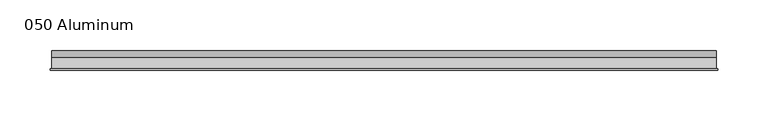
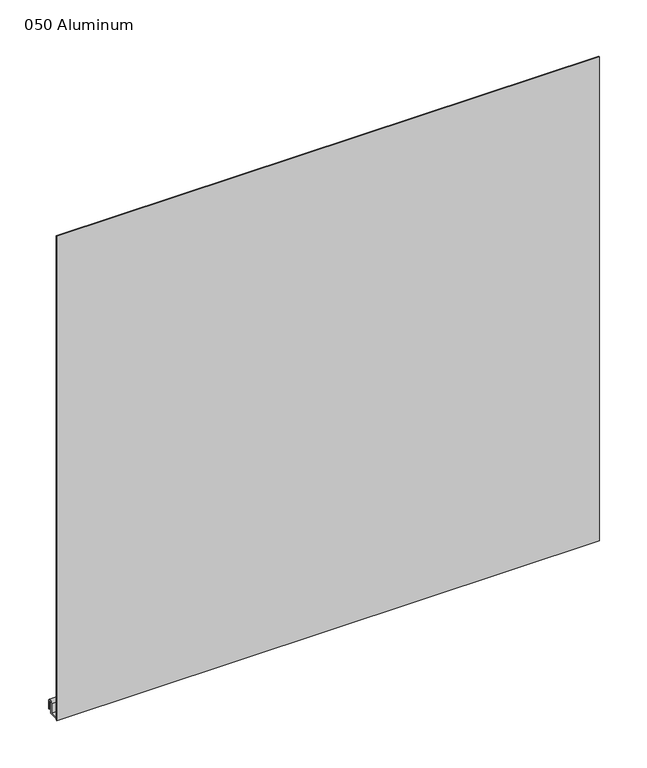
"""IFC4 building model written with IfcOpenShell, lengths in millimetres: plate geometry, 050 Aluminum."""

import ifcopenshell
import ifcopenshell.guid

model = None  # the IFC model being written
_history = None  # IfcOwnerHistory: only IFC2X3 demands one
_inside = {}  # id of a spatial element -> (the spatial element, [elements in it])
_under = {}  # id of a project, library or spatial element -> (it, [spatial elements below it])
_declared = {}  # id of a project -> (the project, [libraries it declares])
_typed = {}  # id of a type object -> (the type object, [elements of that type])
_made_of = {}  # id of a material, layer set ... -> (it, [elements and type objects made of it])


def new_model(schema):
    """Start an empty IFC model of exactly this schema.

    Asked for "IFC4X3", IfcOpenShell would pick the latest addendum, in which some entities
    have other attributes; the version numbers below select the first issue.
    IFC2X3 requires an IfcOwnerHistory on every rooted entity: one is made here for all.
    """
    global model, _history
    if schema == "IFC4X3":
        model = ifcopenshell.file(schema_version=(4, 3, 0, 0))
    else:
        model = ifcopenshell.file(schema=schema)
    _inside.clear()
    _under.clear()
    _declared.clear()
    _typed.clear()
    _made_of.clear()
    _history = None
    if model.schema == "IFC2X3":
        org = make("IfcOrganization", Name="unknown")
        user = make(
            "IfcPersonAndOrganization",
            ThePerson=make("IfcPerson", FamilyName="unknown"),
            TheOrganization=org,
        )
        app = make(
            "IfcApplication",
            ApplicationDeveloper=org,
            Version="unknown",
            ApplicationFullName="unknown",
            ApplicationIdentifier="unknown",
        )
        _history = make(
            "IfcOwnerHistory",
            OwningUser=user,
            OwningApplication=app,
            ChangeAction="ADDED",
            CreationDate=0,
        )
    return model


def make(cls, **values):
    """One entity of the class cls with the attributes given. An attribute that is None is left unset."""
    return model.create_entity(
        cls, **{name: value for name, value in values.items() if value is not None}
    )


def rooted(cls, **values):
    """An entity with a GlobalId (a new one), such as an element, a storey or a relation."""
    return make(cls, GlobalId=ifcopenshell.guid.new(), OwnerHistory=_history, **values)


def si_unit(unit_type, name, prefix=None):
    """IfcSIUnit, for example si_unit("LENGTHUNIT", "METRE", prefix="MILLI")."""
    return make("IfcSIUnit", UnitType=unit_type, Prefix=prefix, Name=name)


def assignment(units):
    """IfcUnitAssignment: the units of a project."""
    return None if units is None else make("IfcUnitAssignment", Units=units)


def point(xyz):
    """IfcCartesianPoint."""
    return None if xyz is None else make("IfcCartesianPoint", Coordinates=xyz)


def direction(xyz):
    """IfcDirection."""
    return None if xyz is None else make("IfcDirection", DirectionRatios=xyz)


def frame(location, z_axis=None, x_axis=None):
    """IfcAxis2Placement3D, a coordinate frame: its origin and axes. An axis left out is left unset."""
    return make(
        "IfcAxis2Placement3D",
        Location=point(location),
        Axis=direction(z_axis),
        RefDirection=direction(x_axis),
    )


def frame_2d(location, x_axis=None):
    """IfcAxis2Placement2D, a coordinate frame in the plane: its origin and x axis."""
    return make(
        "IfcAxis2Placement2D", Location=point(location), RefDirection=direction(x_axis)
    )


def origin():
    """The frame at (0, 0, 0) with its axes left unset."""
    return frame((0.0, 0.0, 0.0))


def origin_with_axes():
    """The frame at (0, 0, 0) with the z axis (0, 0, 1) and the x axis (1, 0, 0) written out."""
    return frame((0.0, 0.0, 0.0), z_axis=(0.0, 0.0, 1.0), x_axis=(1.0, 0.0, 0.0))


def place(relative_to, where):
    """IfcLocalPlacement: puts the frame where relative to a parent placement (None: the world)."""
    return make(
        "IfcLocalPlacement", PlacementRelTo=relative_to, RelativePlacement=where
    )


def context(
    kind, dimensions, precision=None, world=None, true_north=None, identifier=None
):
    """IfcGeometricRepresentationContext, for example the 3D "Model" context."""
    return make(
        "IfcGeometricRepresentationContext",
        ContextIdentifier=identifier,
        ContextType=kind,
        CoordinateSpaceDimension=dimensions,
        Precision=precision,
        WorldCoordinateSystem=world,
        TrueNorth=true_north,
    )


def project(units=None, contexts=None):
    """IfcProject with its units and contexts."""
    return rooted(
        "IfcProject",
        Name="project",
        RepresentationContexts=contexts,
        UnitsInContext=assignment(units),
    )


def spatial(cls, under=None, at=None, **own):
    """A site, building, storey or space (cls), placed at a placement, below another one or the project."""
    s = rooted(cls, ObjectPlacement=at, **own)
    if under is not None:
        _under.setdefault(under.id(), (under, []))[1].append(s)
    return s


def polyline(points):
    """IfcPolyline through the points."""
    return make("IfcPolyline", Points=[point(p) for p in points])


def circle_curve(where, radius):
    """IfcCircle in the frame where."""
    return make("IfcCircle", Position=where, Radius=radius)


def trimmed(basis, trim1, trim2, sense, master):
    """IfcTrimmedCurve: the piece of a basis curve between two trims."""
    return make(
        "IfcTrimmedCurve",
        BasisCurve=basis,
        Trim1=trim1,
        Trim2=trim2,
        SenseAgreement=sense,
        MasterRepresentation=master,
    )


def segment(curve, same_sense, transition):
    """IfcCompositeCurveSegment."""
    return make(
        "IfcCompositeCurveSegment",
        Transition=transition,
        SameSense=same_sense,
        ParentCurve=curve,
    )


def composite_curve(segments, self_intersect=None):
    """IfcCompositeCurve: segments joined end to end."""
    return make("IfcCompositeCurve", Segments=segments, SelfIntersect=self_intersect)


def outline(outer, holes=None, kind="AREA"):
    """IfcArbitraryClosedProfileDef: a profile drawn as a closed curve; with holes, ...WithVoids."""
    if holes is None:
        return make("IfcArbitraryClosedProfileDef", ProfileType=kind, OuterCurve=outer)
    return make(
        "IfcArbitraryProfileDefWithVoids",
        ProfileType=kind,
        OuterCurve=outer,
        InnerCurves=holes,
    )


def extrude(swept, where, along, depth):
    """IfcExtrudedAreaSolid: the profile swept, set in the frame where, extruded along a direction by depth."""
    return make(
        "IfcExtrudedAreaSolid",
        SweptArea=swept,
        Position=where,
        ExtrudedDirection=direction(along),
        Depth=depth,
    )


def shape(context_of_items, identifier, shape_type, items):
    """IfcShapeRepresentation: the items that make up one representation, for example the "Body"."""
    return make(
        "IfcShapeRepresentation",
        ContextOfItems=context_of_items,
        RepresentationIdentifier=identifier,
        RepresentationType=shape_type,
        Items=items,
    )


def source(mapping_origin, context_of_items, identifier, shape_type, items):
    """IfcRepresentationMap: a shape defined once, which mapped items show again and again."""
    return make(
        "IfcRepresentationMap",
        MappingOrigin=mapping_origin,
        MappedRepresentation=shape(context_of_items, identifier, shape_type, items),
    )


def transform(
    local_origin,
    x_axis=None,
    y_axis=None,
    z_axis=None,
    scale=None,
    scale2=None,
    scale3=None,
    uniform=True,
):
    """IfcCartesianTransformationOperator3D, or its non-uniform kind. x_axis, y_axis, z_axis: its Axis1, 2, 3."""
    if uniform:
        return make(
            "IfcCartesianTransformationOperator3D",
            Axis1=direction(x_axis),
            Axis2=direction(y_axis),
            LocalOrigin=point(local_origin),
            Scale=scale,
            Axis3=direction(z_axis),
        )
    return make(
        "IfcCartesianTransformationOperator3DnonUniform",
        Axis1=direction(x_axis),
        Axis2=direction(y_axis),
        LocalOrigin=point(local_origin),
        Scale=scale,
        Axis3=direction(z_axis),
        Scale2=scale2,
        Scale3=scale3,
    )


def mapped(mapping_source, mapping_target):
    """IfcMappedItem: shows the shape of a source again, moved by a transform."""
    return make(
        "IfcMappedItem", MappingSource=mapping_source, MappingTarget=mapping_target
    )


def made_of(thing, what):
    """Note that an element or type object is made of a material, layer set ...; save() writes the relation."""
    if what is not None:
        _made_of.setdefault(what.id(), (what, []))[1].append(thing)
    return thing


def element(
    cls,
    number,
    at=None,
    inside=None,
    cuts=None,
    type_object=None,
    material=None,
    context=None,
    identifier="Body",
    shape_type=None,
    held_by="IfcProductDefinitionShape",
    body=None,
    shapes=None,
    **own,
):
    """One element of the class cls, such as IfcWall. Its Tag is "e" and its number.

    at: its placement. inside: the storey or other place that contains it. cuts: it is an
    opening in that element (IfcRelVoidsElement). A single representation is given by context,
    identifier, shape_type and body (its items); several are given by shapes. held_by: the class
    of the entity that holds the representations. save() writes the other relations.
    """
    e = rooted(cls, Tag="e%d" % number, ObjectPlacement=at, **own)
    if body is not None:
        shapes = [shape(context, identifier, shape_type, body)]
    if shapes is not None:
        e.Representation = make(held_by, Representations=shapes)
    if inside is not None:
        _inside.setdefault(inside.id(), (inside, []))[1].append(e)
    if cuts is not None:
        rooted(
            "IfcRelVoidsElement", RelatingBuildingElement=cuts, RelatedOpeningElement=e
        )
    if type_object is not None:
        _typed.setdefault(type_object.id(), (type_object, []))[1].append(e)
    return made_of(e, material)


def aggregate(whole, parts):
    """IfcRelAggregates: a whole, such as a stair, and the parts it consists of."""
    return rooted("IfcRelAggregates", RelatingObject=whole, RelatedObjects=parts)


def save(model, path):
    """Write the relations noted so far, then the file.

    IfcRelAggregates (storeys below a building ...), IfcRelContainedInSpatialStructure (elements
    in a storey), IfcRelDefinesByType, IfcRelAssociatesMaterial and IfcRelDeclares: one each for
    every whole, place, type object, material and project.
    """
    for whole, parts in _under.values():
        aggregate(whole, parts)
    for where, things in _inside.values():
        rooted(
            "IfcRelContainedInSpatialStructure",
            RelatedElements=things,
            RelatingStructure=where,
        )
    for kind, things in _typed.values():
        rooted("IfcRelDefinesByType", RelatedObjects=things, RelatingType=kind)
    for what, things in _made_of.values():
        rooted("IfcRelAssociatesMaterial", RelatedObjects=things, RelatingMaterial=what)
    for by, libraries in _declared.values():
        rooted("IfcRelDeclares", RelatingContext=by, RelatedDefinitions=libraries)
    model.write(path)


def plate_050_aluminum_d2197dc9(model_context):
    return source(origin(), model_context, "Body", "SweptSolid", [
        extrude(outline(composite_curve([segment(polyline([(-16.6765477, 13.1458337), (-16.6765477, 2.786437), (-17.9464915, 2.786437), (-17.9464915, 13.1323356)]), True, "CONTINUOUS"), segment(trimmed(circle_curve(frame_2d((-19.8514743, 13.124237)), 1.905), [point((-17.9464915, 13.1323356))], [point((-21.7564743, 13.124237))], True, "CARTESIAN"), True, "CONTINUOUS"), segment(polyline([(-21.7564743, 13.124237), (-21.7564743, 0.0), (-34.7980002, 0.0), (-34.7980002, 1.2693678), (-23.0264743, 1.2693678), (-23.0264743, 13.124237)]), True, "CONTINUOUS"), segment(trimmed(circle_curve(frame_2d((-19.8514743, 13.124237)), 3.175), [point((-23.0264743, 13.124237))], [point((-16.6765477, 13.1458337))], False, "CARTESIAN"), True, "CONTINUOUS")], self_intersect=False)), frame((-328.93, 0.0, 0.0), z_axis=(1.0, 0.0, 0.0), x_axis=(0.0, 1.0, 0.0)), (0.0, 0.0, 1.0), 657.86),
        extrude(outline(polyline([(-330.2, -36.068), (-330.2, -34.7980001), (330.2, -34.7980001), (330.2, -36.068), (-330.2, -36.068)])), origin_with_axes(), (0.0, 0.0, 1.0), 622.3),
    ])


if __name__ == "__main__":
    model = new_model("IFC4")
    model_context = context("Model", 3, world=origin())
    ifc_project = project(units=[si_unit("LENGTHUNIT", "METRE", prefix="MILLI")], contexts=[model_context])
    site = spatial("IfcSite", under=ifc_project)
    building = spatial("IfcBuilding", under=site)
    placement = place(None, origin())
    plate_050_aluminum_shape = plate_050_aluminum_d2197dc9(model_context)
    element("IfcPlate", 1, ObjectType="050 Aluminum", at=placement, inside=building, context=model_context, shape_type="MappedRepresentation", body=[
        mapped(plate_050_aluminum_shape, transform((0.0, 0.0, 0.0), x_axis=(1.0, 0.0, 0.0), y_axis=(0.0, 1.0, 0.0), z_axis=(0.0, 0.0, 1.0))),
    ])
    save(model, "model.ifc")
